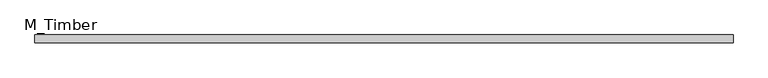
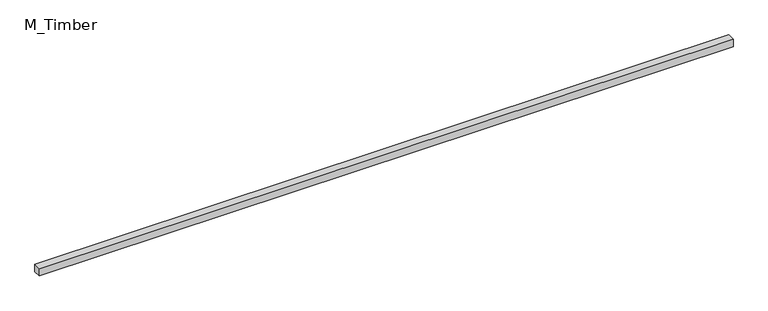
"""IFC4 building model written with IfcOpenShell, lengths in millimetres: beam geometry, M_Timber."""

from ifc_helpers import new_model, si_unit, frame, origin, place, context, project, spatial, polyline, outline, extrude, source, transform, mapped, element, save


def m_timber_e85db3cf(model_context):
    return source(origin(), model_context, "Body", "SweptSolid", [
        extrude(outline(polyline([(1775.9599544, 20.0), (1775.9599544, -20.0), (-1775.9599544, -20.0), (-1775.9599544, 20.0), (1775.9599544, 20.0)])), frame((0.0, 0.0, -20.0), z_axis=(0.0, 0.0, 1.0), x_axis=(1.0, 0.0, 0.0)), (0.0, 0.0, 1.0), 40.0),
    ])


if __name__ == "__main__":
    model = new_model("IFC4")
    model_context = context("Model", 3, world=origin())
    ifc_project = project(units=[si_unit("LENGTHUNIT", "METRE", prefix="MILLI")], contexts=[model_context])
    site = spatial("IfcSite", under=ifc_project)
    building = spatial("IfcBuilding", under=site)
    placement = place(None, origin())
    m_timber_shape = m_timber_e85db3cf(model_context)
    element("IfcBeam", 1, ObjectType="M_Timber", at=placement, inside=building, context=model_context, shape_type="MappedRepresentation", body=[
        mapped(m_timber_shape, transform((0.0, 0.0, 0.0), x_axis=(1.0, 0.0, 0.0), y_axis=(0.0, 1.0, 0.0), z_axis=(0.0, 0.0, 1.0))),
    ])
    save(model, "model.ifc")
